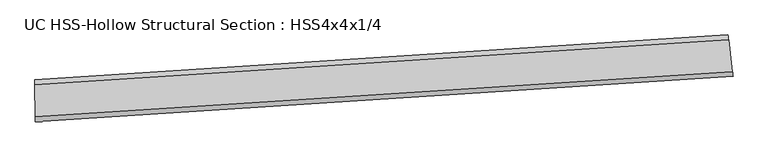
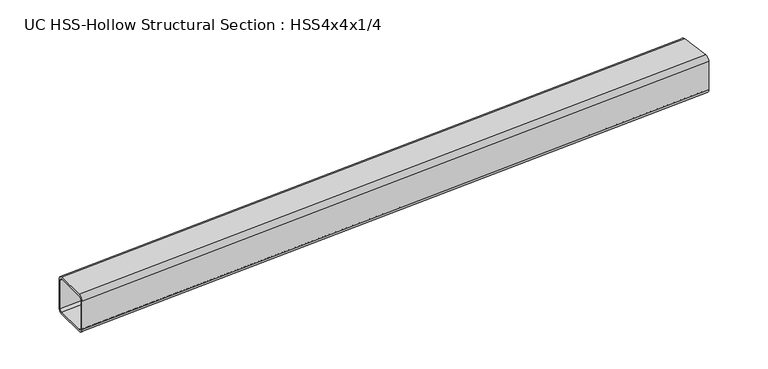
"""IFC4 building model written with IfcOpenShell, lengths in millimetres: beam geometry, UC HSS-Hollow Structural Section : HSS4x4x1/4."""

from ifc_helpers import new_model, si_unit, point, frame, origin, place, context, project, spatial, polyline, circle_curve, ellipse_curve, trimmed, source, transform, mapped, element, save
from ifc_brep_helpers import plane_surface, cylinder_surface, revolved_surface, advanced_brep


def uc_hss_hollow_structural_section_hss4x4x1_4_9f8d74a6(model_context):
    return source(origin(), model_context, "Body", "AdvancedBrep", [
        advanced_brep(
        [(1783.4987399, 59.1058355, 38.9636), (1783.4987399, 59.1058355, -38.9636), (1782.0454526, 70.8526785, -50.8), (1772.4774582, 148.1902631, -50.8), (1771.024171, 159.9371061, -38.9636), (1771.024171, 159.9371061, 38.9636), (1772.4774582, 148.1902631, 50.8), (1782.0454526, 70.8526785, 50.8), (1772.4774582, 148.1902631, 44.8818), (1771.7508146, 154.0636846, 38.9636), (1771.7508146, 154.0636846, -38.9636), (1772.4774582, 148.1902631, -44.8818), (1782.0454526, 70.8526785, -44.8818), (1782.7720962, 64.979257, -38.9636), (1782.7720962, 64.979257, 38.9636), (1782.0454526, 70.8526785, 44.8818), (89.6003282, -50.5236545, 38.9636), (89.5273172, -38.6874797, 50.8), (89.0466353, 39.2382378, 50.8), (88.9736243, 51.0744126, 38.9636), (88.9736243, 51.0744126, -38.9636), (89.0466353, 39.2382378, -50.8), (89.5273172, -38.6874797, -50.8), (89.6003282, -50.5236545, -38.9636), (89.0466353, 39.2382378, 44.8818), (89.5273172, -38.6874797, 44.8818), (89.5638227, -44.6055671, 38.9636), (89.5638227, -44.6055671, -38.9636), (89.5273172, -38.6874797, -44.8818), (89.0466353, 39.2382378, -44.8818), (89.0101298, 45.1563252, -38.9636), (89.0101298, 45.1563252, 38.9636)],
        [
            (0, 1),
            (1, 2, circle_curve(frame((1782.0454526, 70.8526785, -38.9636), z_axis=(0.992433765733818, 0.12278119005528906, 0.0), x_axis=(-0.12278119005528906, 0.992433765733818, 0.0)), 11.8364)),
            (2, 3),
            (3, 4, circle_curve(frame((1772.4774582, 148.1902631, -38.9636), z_axis=(0.992433765733818, 0.12278119005528906, 0.0), x_axis=(-0.12278119005528906, 0.992433765733818, 0.0)), 11.8364)),
            (4, 5),
            (5, 6, circle_curve(frame((1772.4774582, 148.1902631, 38.9636), z_axis=(0.992433765733818, 0.12278119005528906, 0.0), x_axis=(-0.12278119005528906, 0.992433765733818, 0.0)), 11.8364)),
            (6, 7),
            (7, 0, circle_curve(frame((1782.0454526, 70.8526785, 38.9636), z_axis=(0.992433765733818, 0.12278119005528906, 0.0), x_axis=(-0.12278119005528906, 0.992433765733818, 0.0)), 11.8364)),
            (8, 9, circle_curve(frame((1772.4774582, 148.1902631, 38.9636), z_axis=(-0.992433765733818, -0.12278119005528906, 0.0), x_axis=(-0.12278119005528906, 0.992433765733818, 0.0)), 5.9182)),
            (9, 10),
            (10, 11, circle_curve(frame((1772.4774582, 148.1902631, -38.9636), z_axis=(-0.992433765733818, -0.12278119005528906, 0.0), x_axis=(-0.12278119005528906, 0.992433765733818, 0.0)), 5.9182)),
            (11, 12),
            (12, 13, circle_curve(frame((1782.0454526, 70.8526785, -38.9636), z_axis=(-0.992433765733818, -0.12278119005528906, 0.0), x_axis=(-0.12278119005528906, 0.992433765733818, 0.0)), 5.9182)),
            (13, 14),
            (14, 15, circle_curve(frame((1782.0454526, 70.8526785, 38.9636), z_axis=(-0.992433765733818, -0.12278119005528906, 0.0), x_axis=(-0.12278119005528906, 0.992433765733818, 0.0)), 5.9182)),
            (15, 8),
            (16, 17, circle_curve(frame((89.5273172, -38.6874797, 38.9636), z_axis=(-0.9999809755811392, -0.00616834465583764, 0.0), x_axis=(-0.00616834465583764, 0.9999809755811392, 0.0)), 11.8364)),
            (17, 18),
            (18, 19, circle_curve(frame((89.0466353, 39.2382378, 38.9636), z_axis=(-0.9999809755811392, -0.00616834465583764, 0.0), x_axis=(-0.00616834465583764, 0.9999809755811392, 0.0)), 11.8364)),
            (19, 20),
            (20, 21, circle_curve(frame((89.0466353, 39.2382378, -38.9636), z_axis=(-0.9999809755811392, -0.00616834465583764, 0.0), x_axis=(-0.00616834465583764, 0.9999809755811392, 0.0)), 11.8364)),
            (21, 22),
            (22, 23, circle_curve(frame((89.5273172, -38.6874797, -38.9636), z_axis=(-0.9999809755811392, -0.00616834465583764, 0.0), x_axis=(-0.00616834465583764, 0.9999809755811392, 0.0)), 11.8364)),
            (23, 16),
            (24, 25),
            (25, 26, circle_curve(frame((89.5273172, -38.6874797, 38.9636), z_axis=(0.9999809755811392, 0.00616834465583764, 0.0), x_axis=(-0.00616834465583764, 0.9999809755811392, 0.0)), 5.9182)),
            (26, 27),
            (27, 28, circle_curve(frame((89.5273172, -38.6874797, -38.9636), z_axis=(0.9999809755811392, 0.00616834465583764, 0.0), x_axis=(-0.00616834465583764, 0.9999809755811392, 0.0)), 5.9182)),
            (28, 29),
            (29, 30, circle_curve(frame((89.0466353, 39.2382378, -38.9636), z_axis=(0.9999809755811392, 0.00616834465583764, 0.0), x_axis=(-0.00616834465583764, 0.9999809755811392, 0.0)), 5.9182)),
            (30, 31),
            (31, 24, circle_curve(frame((89.0466353, 39.2382378, 38.9636), z_axis=(0.9999809755811392, 0.00616834465583764, 0.0), x_axis=(-0.00616834465583764, 0.9999809755811392, 0.0)), 5.9182)),
            (7, 17, circle_curve(frame((0.0, 14475.0303741, 50.8), z_axis=(0.0, 0.0, -1.0), x_axis=(-0.1195687675970145, 0.9928259212043827, 0.0)), 14513.9939741)),
            (16, 0, circle_curve(frame((0.0, 14475.0303741, 38.9636), z_axis=(0.0, 0.0, 1.0), x_axis=(-0.1195687675970145, 0.9928259212043827, 0.0)), 14525.8303741)),
            (6, 18, circle_curve(frame((0.0, 14475.0303741, 50.8), z_axis=(0.0, 0.0, -1.0), x_axis=(-0.1195687675970145, 0.9928259212043827, 0.0)), 14436.0667741)),
            (5, 19, circle_curve(frame((0.0, 14475.0303741, 38.9636), z_axis=(0.0, 0.0, -1.0), x_axis=(-0.1195687675970145, 0.9928259212043827, 0.0)), 14424.2303741)),
            (4, 20, circle_curve(frame((0.0, 14475.0303741, -38.9636), z_axis=(0.0, 0.0, -1.0), x_axis=(-0.1195687675970145, 0.9928259212043827, 0.0)), 14424.2303741)),
            (3, 21, circle_curve(frame((0.0, 14475.0303741, -50.8), z_axis=(0.0, 0.0, -1.0), x_axis=(-0.1195687675970145, 0.9928259212043827, 0.0)), 14436.0667741)),
            (2, 22, circle_curve(frame((0.0, 14475.0303741, -50.8), z_axis=(0.0, 0.0, -1.0), x_axis=(-0.1195687675970145, 0.9928259212043827, 0.0)), 14513.9939741)),
            (1, 23, circle_curve(frame((0.0, 14475.0303741, -38.9636), z_axis=(0.0, 0.0, -1.0), x_axis=(-0.1195687675970145, 0.9928259212043827, 0.0)), 14525.8303741)),
            (15, 25, circle_curve(frame((0.0, 14475.0303741, 44.8818), z_axis=(0.0, 0.0, -1.0), x_axis=(-0.1195687675970145, 0.9928259212043827, 0.0)), 14513.9939741)),
            (24, 8, circle_curve(frame((0.0, 14475.0303741, 44.8818), z_axis=(0.0, 0.0, 1.0), x_axis=(-0.1195687675970145, 0.9928259212043827, 0.0)), 14436.0667741)),
            (14, 26, circle_curve(frame((0.0, 14475.0303741, 38.9636), z_axis=(0.0, 0.0, -1.0), x_axis=(-0.1195687675970145, 0.9928259212043827, 0.0)), 14519.9121741)),
            (13, 27, circle_curve(frame((0.0, 14475.0303741, -38.9636), z_axis=(0.0, 0.0, -1.0), x_axis=(-0.1195687675970145, 0.9928259212043827, 0.0)), 14519.9121741)),
            (12, 28, circle_curve(frame((0.0, 14475.0303741, -44.8818), z_axis=(0.0, 0.0, -1.0), x_axis=(-0.1195687675970145, 0.9928259212043827, 0.0)), 14513.9939741)),
            (11, 29, circle_curve(frame((0.0, 14475.0303741, -44.8818), z_axis=(0.0, 0.0, -1.0), x_axis=(-0.1195687675970145, 0.9928259212043827, 0.0)), 14436.0667741)),
            (10, 30, circle_curve(frame((0.0, 14475.0303741, -38.9636), z_axis=(0.0, 0.0, -1.0), x_axis=(-0.1195687675970145, 0.9928259212043827, 0.0)), 14430.1485741)),
            (9, 31, circle_curve(frame((0.0, 14475.0303741, 38.9636), z_axis=(0.0, 0.0, -1.0), x_axis=(-0.1195687675970145, 0.9928259212043827, 0.0)), 14430.1485741)),
        ],
        [
            plane_surface(frame((1777.2614554, 109.5214708, 0.0), z_axis=(0.9924337657338166, 0.12278119005530212, 0.0), x_axis=(0.0, 0.0, 1.0))),
            plane_surface(frame((89.2869763, 0.275379, 0.0), z_axis=(-0.9999809755811392, -0.006168344655844121, 0.0), x_axis=(0.0, 0.0, 1.0))),
            revolved_surface(trimmed(ellipse_curve(frame((-1735.4203724, 28884.8998119, 38.9636), z_axis=(-0.9928259212043835, -0.11956876759700806, 0.0), x_axis=(0.11956876759700806, -0.9928259212043835, 0.0)), 11.8364, 11.8364), [point((-1735.4203724, 28884.8998119, 50.8))], [point((-1736.8356362, 28896.6512966, 38.9636))], True, "CARTESIAN"), (0.0, 14475.0303741, 0.0), (0.0, 0.0, -1.0)),
            plane_surface(frame((0.0, 14475.0303741, 50.8), z_axis=(0.0, 0.0, 1.0), x_axis=(-0.1195687675970145, 0.9928259212043827, 0.0))),
            revolved_surface(trimmed(ellipse_curve(frame((-1726.1027131, 28807.5316677, 38.9636), z_axis=(-0.9928259212043835, -0.11956876759700806, 0.0), x_axis=(0.11956876759700806, -0.9928259212043835, 0.0)), 11.8364, 11.8364), [point((-1724.6874494, 28795.780183, 38.9636))], [point((-1726.1027131, 28807.5316677, 50.8))], True, "CARTESIAN"), (0.0, 14475.0303741, 0.0), (0.0, 0.0, -1.0)),
            revolved_surface(polyline([(-1724.6874493665603, 28795.780182930073, -38.9636), (-1724.6874493665603, 28795.780182930073, 38.9636)]), (0.0, 14475.0303741, 0.0), (0.0, 0.0, -1.0)),
            revolved_surface(trimmed(ellipse_curve(frame((-1726.1027131, 28807.5316677, -38.9636), z_axis=(-0.9928259212043835, -0.11956876759700806, 0.0), x_axis=(0.11956876759700806, -0.9928259212043835, 0.0)), 11.8364, 11.8364), [point((-1726.1027131, 28807.5316677, -50.8))], [point((-1724.6874494, 28795.780183, -38.9636))], True, "CARTESIAN"), (0.0, 14475.0303741, 0.0), (0.0, 0.0, -1.0)),
            plane_surface(frame((0.0, 14475.0303741, -50.8), z_axis=(0.0, 0.0, -1.0), x_axis=(-0.1195687675970145, 0.9928259212043827, 0.0))),
            revolved_surface(trimmed(ellipse_curve(frame((-1735.4203724, 28884.8998119, -38.9636), z_axis=(-0.9928259212043835, -0.11956876759700806, 0.0), x_axis=(0.11956876759700806, -0.9928259212043835, 0.0)), 11.8364, 11.8364), [point((-1736.8356362, 28896.6512966, -38.9636))], [point((-1735.4203724, 28884.8998119, -50.8))], True, "CARTESIAN"), (0.0, 14475.0303741, 0.0), (0.0, 0.0, -1.0)),
            cylinder_surface(frame((0.0, 14475.0303741, 0.0), z_axis=(0.0, 0.0, -1.0), x_axis=(-0.1195687675970145, 0.9928259212043827, 0.0)), 14525.8303741),
            plane_surface(frame((0.0, 14475.0303741, 44.8818), z_axis=(0.0, 0.0, -1.0), x_axis=(-0.1195687675970145, 0.9928259212043827, 0.0))),
            revolved_surface(trimmed(ellipse_curve(frame((-1735.4203724, 28884.8998119, 38.9636), z_axis=(0.9928259212043835, 0.11956876759700806, 0.0), x_axis=(0.11956876759700806, -0.9928259212043835, 0.0)), 5.9182, 5.9182), [point((-1736.1280043, 28890.7755542, 38.9636))], [point((-1735.4203724, 28884.8998119, 44.8818))], True, "CARTESIAN"), (0.0, 14475.0303741, 0.0), (0.0, 0.0, -1.0)),
            revolved_surface(polyline([(-1736.1280042740245, 28890.775554157564, -38.9636), (-1736.1280042740245, 28890.775554157564, 38.9636)]), (0.0, 14475.0303741, 0.0), (0.0, 0.0, -1.0)),
            revolved_surface(trimmed(ellipse_curve(frame((-1735.4203724, 28884.8998119, -38.9636), z_axis=(0.9928259212043835, 0.11956876759700806, 0.0), x_axis=(0.11956876759700806, -0.9928259212043835, 0.0)), 5.9182, 5.9182), [point((-1735.4203724, 28884.8998119, -44.8818))], [point((-1736.1280043, 28890.7755542, -38.9636))], True, "CARTESIAN"), (0.0, 14475.0303741, 0.0), (0.0, 0.0, -1.0)),
            plane_surface(frame((0.0, 14475.0303741, -44.8818), z_axis=(0.0, 0.0, 1.0), x_axis=(-0.1195687675970145, 0.9928259212043827, 0.0))),
            revolved_surface(trimmed(ellipse_curve(frame((-1726.1027131, 28807.5316677, -38.9636), z_axis=(0.9928259212043835, 0.11956876759700806, 0.0), x_axis=(0.11956876759700806, -0.9928259212043835, 0.0)), 5.9182, 5.9182), [point((-1725.3950813, 28801.6559254, -38.9636))], [point((-1726.1027131, 28807.5316677, -44.8818))], True, "CARTESIAN"), (0.0, 14475.0303741, 0.0), (0.0, 0.0, -1.0)),
            cylinder_surface(frame((0.0, 14475.0303741, 0.0), z_axis=(0.0, 0.0, -1.0), x_axis=(-0.1195687675970145, 0.9928259212043827, 0.0)), 14430.1485741),
            revolved_surface(trimmed(ellipse_curve(frame((-1726.1027131, 28807.5316677, 38.9636), z_axis=(0.9928259212043835, 0.11956876759700806, 0.0), x_axis=(0.11956876759700806, -0.9928259212043835, 0.0)), 5.9182, 5.9182), [point((-1726.1027131, 28807.5316677, 44.8818))], [point((-1725.3950813, 28801.6559254, 38.9636))], True, "CARTESIAN"), (0.0, 14475.0303741, 0.0), (0.0, 0.0, -1.0)),
        ],
        [
            (0, [[1, 2, 3, 4, 5, 6, 7, 8], [9, 10, 11, 12, 13, 14, 15, 16]]),
            (1, [[17, 18, 19, 20, 21, 22, 23, 24], [25, 26, 27, 28, 29, 30, 31, 32]]),
            (2, [[33, -17, 34, -8]]),
            (3, [[35, -18, -33, -7]]),
            (4, [[36, -19, -35, -6]]),
            (5, [[37, -20, -36, -5]]),
            (6, [[38, -21, -37, -4]]),
            (7, [[39, -22, -38, -3]]),
            (8, [[40, -23, -39, -2]]),
            (9, [[-34, -24, -40, -1]]),
            (10, [[41, -25, 42, -16]]),
            (11, [[43, -26, -41, -15]]),
            (12, [[44, -27, -43, -14]]),
            (13, [[45, -28, -44, -13]]),
            (14, [[46, -29, -45, -12]]),
            (15, [[47, -30, -46, -11]]),
            (16, [[48, -31, -47, -10]]),
            (17, [[-42, -32, -48, -9]]),
        ],
    ),
    ])


if __name__ == "__main__":
    model = new_model("IFC4")
    model_context = context("Model", 3, world=origin())
    ifc_project = project(units=[si_unit("LENGTHUNIT", "METRE", prefix="MILLI")], contexts=[model_context])
    site = spatial("IfcSite", under=ifc_project)
    building = spatial("IfcBuilding", under=site)
    placement = place(None, origin())
    uc_hss_hollow_structural_section_hss4x4x1_4_shape = uc_hss_hollow_structural_section_hss4x4x1_4_9f8d74a6(model_context)
    element("IfcBeam", 1, ObjectType="UC HSS-Hollow Structural Section : HSS4x4x1/4", at=placement, inside=building, context=model_context, shape_type="MappedRepresentation", body=[
        mapped(uc_hss_hollow_structural_section_hss4x4x1_4_shape, transform((0.0, 0.0, 0.0), x_axis=(1.0, 0.0, 0.0), y_axis=(0.0, 1.0, 0.0), z_axis=(0.0, 0.0, 1.0))),
    ])
    save(model, "model.ifc")
